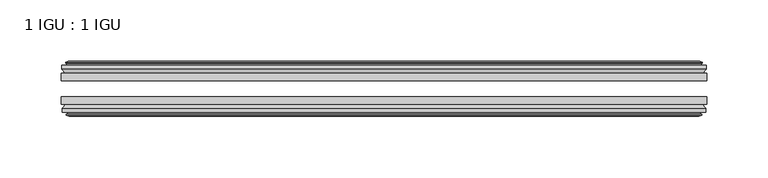
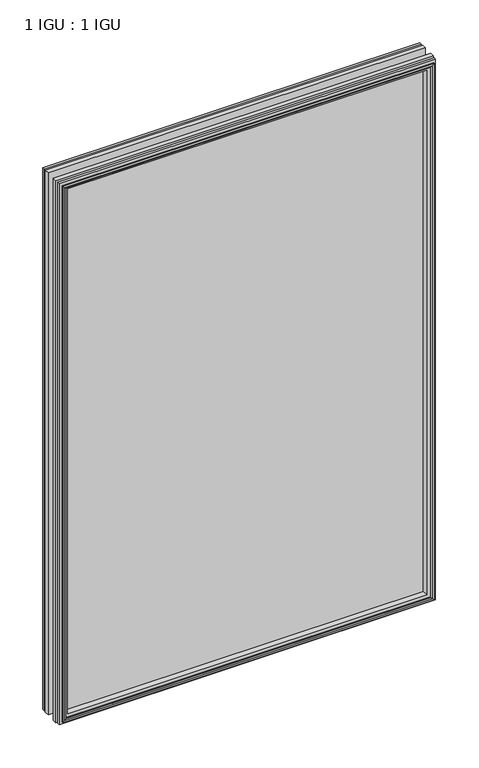
"""IFC4 building model written with IfcOpenShell, lengths in millimetres: plate geometry, 1 IGU : 1 IGU."""

from ifc_helpers import new_model, si_unit, frame, origin, place, context, project, spatial, polyline, outline, extrude, faceted_brep, source, transform, mapped, element, save


def plate_1_igu_1_igu_c5331157(model_context):
    return source(origin(), model_context, "Body", "SolidModel", [
        extrude(outline(polyline([(263.5249997, -25.8960937), (263.5249997, -32.2460938), (-263.5249997, -32.2460938), (-263.5249997, -25.8960937), (263.5249997, -25.8960937)])), frame((0.0, 0.0, -12.7), z_axis=(0.0, 0.0, 1.0), x_axis=(1.0, 0.0, 0.0)), (0.0, 0.0, 1.0), 800.1),
        extrude(outline(polyline([(-263.5249997, -51.2960938), (-263.5249997, -45.2686737), (263.5249997, -45.2686737), (263.5249997, -51.2960938), (-263.5249997, -51.2960938)])), frame((0.0, 0.0, -12.7), z_axis=(0.0, 0.0, 1.0), x_axis=(1.0, 0.0, 0.0)), (0.0, 0.0, 1.0), 800.1),
        faceted_brep([(-257.9369997, -60.0262907, 781.812), (-258.3179997, -57.6460937, 782.193), (-258.3179997, -57.6460937, -7.493), (-257.9369997, -60.0262907, -7.112), (-259.3525287, -59.5663575, 783.2275291), (-259.3525287, -59.5663575, -8.5275291), (-259.3525287, -60.3675717, 783.2275291), (-259.3525287, -60.3675717, -8.5275291), (-257.1749997, -61.0750937, 781.05), (-257.1749997, -61.0750937, -6.35), (-254.9974706, -60.3675717, 778.872471), (-254.9974706, -60.3675717, -4.1724709), (-254.9974706, -59.5663575, 778.872471), (-254.9974706, -59.5663575, -4.1724709), (-256.4129997, -60.0262907, 780.288), (-256.4129997, -60.0262907, -5.588), (-256.0319997, -57.6460937, 779.907), (-256.0319997, -57.6460937, -5.207), (-249.1072816, -51.2960937, 772.9822819), (-250.8249997, -57.6460937, 774.7), (-250.8249997, -57.6460937, 0.0), (-249.1072816, -51.2960937, 1.7177181), (-262.7629997, -54.6996937, 786.638), (-259.9286575, -51.2960937, 783.8036578), (-259.9286575, -51.2960937, -9.1036578), (-262.7629997, -54.6996937, -11.938), (-262.7629997, -57.6460937, 786.638), (-262.7629997, -57.6460937, -11.938), (258.3179997, -57.6460938, -7.493), (257.9369997, -60.0262907, -7.112), (259.3525287, -59.5663575, -8.5275291), (259.3525287, -60.3675717, -8.5275291), (257.1749997, -61.0750937, -6.35), (254.9974706, -60.3675717, -4.1724709), (254.9974706, -59.5663575, -4.1724709), (256.4129997, -60.0262907, -5.588), (256.0319997, -57.6460937, -5.207), (250.8249997, -57.6460937, 0.0), (249.1072816, -51.2960937, 1.7177181), (259.9286575, -51.2960937, -9.1036578), (262.7629997, -54.6996937, -11.938), (262.7629997, -57.6460938, -11.938), (258.3179997, -57.6460938, 782.193), (257.9369997, -60.0262907, 781.812), (259.3525287, -59.5663575, 783.2275291), (259.3525287, -60.3675717, 783.2275291), (257.1749997, -61.0750937, 781.05), (254.9974706, -60.3675717, 778.872471), (254.9974706, -59.5663575, 778.872471), (256.4129997, -60.0262907, 780.288), (256.0319997, -57.6460937, 779.907), (250.8249997, -57.6460937, 774.7), (249.1072816, -51.2960937, 772.9822819), (259.9286575, -51.2960937, 783.8036578), (262.7629997, -54.6996937, 786.638), (262.7629997, -57.6460938, 786.638)], [[[0, 1, 2, 3]], [[4, 0, 3, 5]], [[6, 4, 5, 7]], [[8, 6, 7, 9]], [[10, 8, 9, 11]], [[12, 10, 11, 13]], [[14, 12, 13, 15]], [[16, 14, 15, 17]], [[18, 19, 20, 21]], [[22, 23, 24, 25]], [[26, 22, 25, 27]], [[3, 2, 28, 29]], [[5, 3, 29, 30]], [[7, 5, 30, 31]], [[9, 7, 31, 32]], [[11, 9, 32, 33]], [[13, 11, 33, 34]], [[15, 13, 34, 35]], [[17, 15, 35, 36]], [[21, 20, 37, 38]], [[25, 24, 39, 40]], [[27, 25, 40, 41]], [[29, 28, 42, 43]], [[30, 29, 43, 44]], [[31, 30, 44, 45]], [[32, 31, 45, 46]], [[33, 32, 46, 47]], [[34, 33, 47, 48]], [[35, 34, 48, 49]], [[36, 35, 49, 50]], [[38, 37, 51, 52]], [[40, 39, 53, 54]], [[41, 40, 54, 55]], [[27, 41, 55, 26], [1, 42, 28, 2]], [[43, 42, 1, 0]], [[44, 43, 0, 4]], [[45, 44, 4, 6]], [[46, 45, 6, 8]], [[47, 46, 8, 10]], [[48, 47, 10, 12]], [[49, 48, 12, 14]], [[50, 49, 14, 16]], [[17, 36, 50, 16], [19, 51, 37, 20]], [[52, 51, 19, 18]], [[23, 53, 39, 24], [21, 38, 52, 18]], [[54, 53, 23, 22]], [[55, 54, 22, 26]]]),
        faceted_brep([(-260.4493575, -25.8960937, 784.3243578), (-263.2836997, -22.4924937, 787.1587), (-263.2836997, -22.4924937, -12.4587), (-260.4493575, -25.8960937, -9.6243578), (-251.3456997, -19.5460937, 775.2207), (-249.6279816, -25.8960937, 773.5029819), (-249.6279816, -25.8960937, 1.1970181), (-251.3456997, -19.5460937, -0.5207), (-256.9336997, -17.1658968, 780.8087), (-256.5526997, -19.5460937, 780.4277), (-256.5526997, -19.5460937, -5.7277), (-256.9336997, -17.1658968, -6.1087), (-255.5181706, -17.62583, 779.393171), (-255.5181706, -17.62583, -4.6931709), (-255.5181706, -16.8246158, 779.393171), (-255.5181706, -16.8246158, -4.6931709), (-257.6956997, -16.1170937, 781.5707), (-257.6956997, -16.1170937, -6.8707), (-259.8732287, -16.8246158, 783.7482291), (-259.8732287, -16.8246158, -9.0482291), (-259.8732287, -17.62583, 783.7482291), (-259.8732287, -17.62583, -9.0482291), (-258.4576997, -17.1658968, 782.3327), (-258.4576997, -17.1658968, -7.6327), (-258.8386997, -19.5460937, 782.7137), (-258.8386997, -19.5460937, -8.0137), (-263.2836997, -19.5460937, 787.1587), (-263.2836997, -19.5460937, -12.4587), (263.2836997, -22.4924937, -12.4587), (260.4493575, -25.8960937, -9.6243578), (249.6279816, -25.8960937, 1.1970181), (251.3456997, -19.5460937, -0.5207), (256.5526997, -19.5460937, -5.7277), (256.9336997, -17.1658968, -6.1087), (255.5181706, -17.62583, -4.6931709), (255.5181706, -16.8246158, -4.6931709), (257.6956997, -16.1170937, -6.8707), (259.8732287, -16.8246158, -9.0482291), (259.8732287, -17.62583, -9.0482291), (258.4576997, -17.1658968, -7.6327), (258.8386997, -19.5460937, -8.0137), (263.2836997, -19.5460937, -12.4587), (263.2836997, -22.4924937, 787.1587), (260.4493575, -25.8960937, 784.3243578), (249.6279816, -25.8960937, 773.5029819), (251.3456997, -19.5460937, 775.2207), (256.5526997, -19.5460937, 780.4277), (256.9336997, -17.1658968, 780.8087), (255.5181706, -17.62583, 779.393171), (255.5181706, -16.8246158, 779.393171), (257.6956997, -16.1170937, 781.5707), (259.8732287, -16.8246158, 783.7482291), (259.8732287, -17.62583, 783.7482291), (258.4576997, -17.1658968, 782.3327), (258.8386997, -19.5460937, 782.7137), (263.2836997, -19.5460937, 787.1587)], [[[0, 1, 2, 3]], [[4, 5, 6, 7]], [[8, 9, 10, 11]], [[12, 8, 11, 13]], [[14, 12, 13, 15]], [[16, 14, 15, 17]], [[18, 16, 17, 19]], [[20, 18, 19, 21]], [[22, 20, 21, 23]], [[24, 22, 23, 25]], [[1, 26, 27, 2]], [[3, 2, 28, 29]], [[7, 6, 30, 31]], [[11, 10, 32, 33]], [[13, 11, 33, 34]], [[15, 13, 34, 35]], [[17, 15, 35, 36]], [[19, 17, 36, 37]], [[21, 19, 37, 38]], [[23, 21, 38, 39]], [[25, 23, 39, 40]], [[2, 27, 41, 28]], [[29, 28, 42, 43]], [[31, 30, 44, 45]], [[33, 32, 46, 47]], [[34, 33, 47, 48]], [[35, 34, 48, 49]], [[36, 35, 49, 50]], [[37, 36, 50, 51]], [[38, 37, 51, 52]], [[39, 38, 52, 53]], [[40, 39, 53, 54]], [[28, 41, 55, 42]], [[43, 42, 1, 0]], [[3, 29, 43, 0], [5, 44, 30, 6]], [[45, 44, 5, 4]], [[9, 46, 32, 10], [7, 31, 45, 4]], [[47, 46, 9, 8]], [[48, 47, 8, 12]], [[49, 48, 12, 14]], [[50, 49, 14, 16]], [[51, 50, 16, 18]], [[52, 51, 18, 20]], [[53, 52, 20, 22]], [[54, 53, 22, 24]], [[26, 55, 41, 27], [25, 40, 54, 24]], [[42, 55, 26, 1]]]),
    ])


if __name__ == "__main__":
    model = new_model("IFC4")
    model_context = context("Model", 3, world=origin())
    ifc_project = project(units=[si_unit("LENGTHUNIT", "METRE", prefix="MILLI")], contexts=[model_context])
    site = spatial("IfcSite", under=ifc_project)
    building = spatial("IfcBuilding", under=site)
    placement = place(None, origin())
    plate_1_igu_1_igu_shape = plate_1_igu_1_igu_c5331157(model_context)
    element("IfcPlate", 1, ObjectType="1 IGU : 1 IGU", at=placement, inside=building, context=model_context, shape_type="MappedRepresentation", body=[
        mapped(plate_1_igu_1_igu_shape, transform((0.0, 0.0, 0.0), x_axis=(1.0, 0.0, 0.0), y_axis=(0.0, 1.0, 0.0), z_axis=(0.0, 0.0, 1.0))),
    ])
    save(model, "model.ifc")
